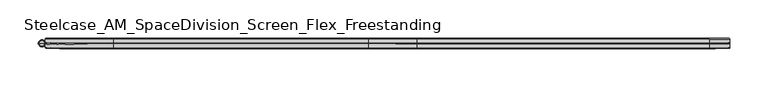
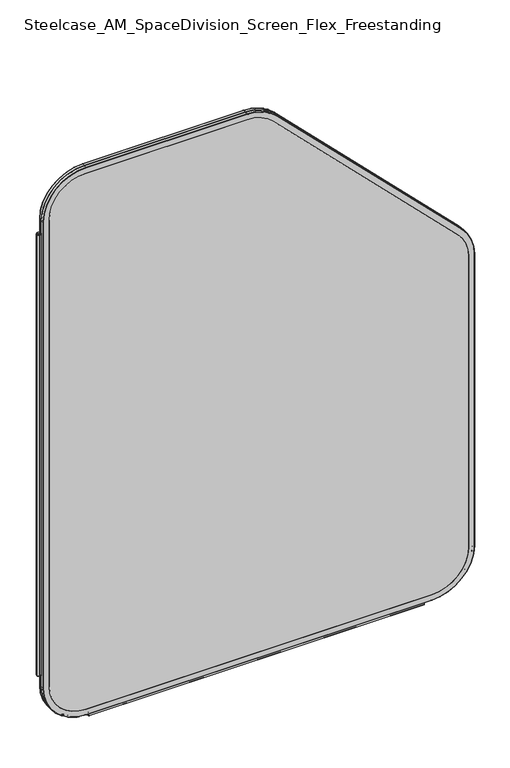
"""IFC4 building model written with IfcOpenShell, lengths in millimetres: furniture geometry, Steelcase_AM_SpaceDivision_Screen_Flex_Freestanding."""

from ifc_helpers import new_model, si_unit, point, frame, frame_2d, origin, place, context, project, spatial, polyline, circle_curve, ellipse_curve, trimmed, segment, composite_curve, outline, extrude, source, transform, mapped, element, save
from ifc_brep_helpers import plane_surface, cylinder_surface, revolved_surface, advanced_brep


def steelcase_am_spacedivision_screen_flex_freestanding_d6f9e295(model_context):
    return source(origin(), model_context, "Body", "SolidModel", [
        advanced_brep(
        [(98.0653521, 5.715, 4.9996464), (9.1653521, 5.715, 93.8996464), (9.9273521, 6.477, 93.8996464), (98.0653521, 6.477, 5.7616464), (98.0653521, 0.8129491, 4.9996464), (9.1653521, 0.8129491, 93.8996464), (98.0653521, -5.715, 4.9996464), (9.1653521, -5.715, 93.8996464), (9.1653521, -0.8129491, 93.8996464), (98.0653521, -0.8129491, 4.9996464), (98.0653521, -6.477, 5.7616464), (9.9273521, -6.477, 93.8996464), (98.0653521, 6.477, 17.6996464), (21.8653521, 6.477, 93.8996464), (21.8653521, -6.477, 93.8996464), (98.0653521, -6.477, 17.6996464), (811.1, 6.477, 5.7616464), (811.1, 5.715, 4.9996464), (811.1, 0.8129491, 4.9996464), (811.1, -0.8129491, 4.9996464), (811.1, -5.715, 4.9996464), (811.1, -6.477, 5.7616464), (811.1, -6.477, 17.6996464), (811.1, 6.477, 17.6996464), (900.0, 5.715, 93.8996464), (899.238, 6.477, 93.8996464), (900.0, 0.8129491, 93.8996464), (900.0, -5.715, 93.8996464), (900.0, -0.8129491, 93.8996464), (899.238, -6.477, 93.8996464), (887.3, 6.477, 93.8996464), (887.3, -6.477, 93.8996464), (899.238, 6.477, 730.3749822), (900.0, 5.715, 730.3749822), (900.0, 0.8129491, 730.3749822), (900.0, -0.8129491, 730.3749822), (900.0, -5.715, 730.3749822), (899.238, -6.477, 730.3749822), (887.3, -6.477, 730.3749822), (887.3, 6.477, 730.3749822), (873.9617928, 5.715, 793.2367751), (873.4229775, 6.477, 792.6979597), (873.9617928, 0.8129491, 793.2367751), (873.9617928, -5.715, 793.2367751), (873.9617928, -0.8129491, 793.2367751), (873.4229775, -6.477, 792.6979597), (864.9815367, 6.477, 784.2565189), (864.9815367, -6.477, 784.2565189), (492.6979597, 6.477, 1173.4229775), (493.2367751, 5.715, 1173.9617928), (493.2367751, 0.8129491, 1173.9617928), (493.2367751, -0.8129491, 1173.9617928), (493.2367751, -5.715, 1173.9617928), (492.6979597, -6.477, 1173.4229775), (484.2565189, -6.477, 1164.9815367), (484.2565189, 6.477, 1164.9815367), (430.3749822, 5.715, 1200.0), (430.3749822, 6.477, 1199.238), (430.3749822, 0.8129491, 1200.0), (430.3749822, -5.715, 1200.0), (430.3749822, -0.8129491, 1200.0), (430.3749822, -6.477, 1199.238), (430.3749822, 6.477, 1187.3), (430.3749822, -6.477, 1187.3), (98.0653521, 6.477, 1199.238), (98.0653521, 5.715, 1200.0), (98.0653521, 0.8129491, 1200.0), (98.0653521, -0.8129491, 1200.0), (98.0653521, -5.715, 1200.0), (98.0653521, -6.477, 1199.238), (98.0653521, -6.477, 1187.3), (98.0653521, 6.477, 1187.3), (9.1653521, 5.715, 1111.1), (9.9273521, 6.477, 1111.1), (9.1653521, 0.8129491, 1111.1), (9.1653521, -5.715, 1111.1), (9.1653521, -0.8129491, 1111.1), (9.9273521, -6.477, 1111.1), (21.8653521, 6.477, 1111.1), (21.8653521, -6.477, 1111.1), (98.0653521, 0.0, 5.5902885), (9.7559942, 0.0, 93.8996464), (811.1, 0.0, 5.5902885), (899.4093579, 0.0, 93.8996464), (899.4093579, 0.0, 730.3749822), (873.5441458, 0.0, 792.819128), (492.819128, 0.0, 1173.5441458), (430.3749822, 0.0, 1199.4093579), (98.0653521, 0.0, 1199.4093579), (9.7559942, 0.0, 1111.1)],
        [
            (0, 1, circle_curve(frame((98.0653521, 5.715, 93.8996464), z_axis=(0.0, 1.0, 0.0), x_axis=(-1.0, 0.0, 0.0)), 88.9)),
            (1, 2, circle_curve(frame((9.9273521, 5.715, 93.8996464), z_axis=(0.0, 0.0, -1.0), x_axis=(0.0, -1.0, 0.0)), 0.762)),
            (2, 3, circle_curve(frame((98.0653521, 6.477, 93.8996464), z_axis=(0.0, -1.0, 0.0), x_axis=(-1.0, 0.0, 0.0)), 88.138)),
            (3, 0, circle_curve(frame((98.0653521, 5.715, 5.7616464), z_axis=(-1.0, 0.0, 0.0), x_axis=(0.0, -1.0, 0.0)), 0.762)),
            (4, 5, circle_curve(frame((98.0653521, 0.8129491, 93.8996464), z_axis=(0.0, 1.0, 0.0), x_axis=(-1.0, 0.0, 0.0)), 88.9)),
            (5, 1),
            (0, 4),
            (6, 7, circle_curve(frame((98.0653521, -5.715, 93.8996464), z_axis=(0.0, 1.0, 0.0), x_axis=(-1.0, 0.0, 0.0)), 88.9)),
            (7, 8),
            (8, 9, circle_curve(frame((98.0653521, -0.8129491, 93.8996464), z_axis=(0.0, -1.0, 0.0), x_axis=(-1.0, 0.0, 0.0)), 88.9)),
            (9, 6),
            (10, 11, circle_curve(frame((98.0653521, -6.477, 93.8996464), z_axis=(0.0, 1.0, 0.0), x_axis=(-1.0, 0.0, 0.0)), 88.138)),
            (11, 7, circle_curve(frame((9.9273521, -5.715, 93.8996464), z_axis=(0.0, 0.0, -1.0), x_axis=(0.0, -1.0, 0.0)), 0.762)),
            (6, 10, circle_curve(frame((98.0653521, -5.715, 5.7616464), z_axis=(-1.0, 0.0, 0.0), x_axis=(0.0, -1.0, 0.0)), 0.762)),
            (12, 13, circle_curve(frame((98.0653521, 6.477, 93.8996464), z_axis=(0.0, 1.0, 0.0), x_axis=(-1.0, 0.0, 0.0)), 76.2)),
            (13, 14),
            (14, 15, circle_curve(frame((98.0653521, -6.477, 93.8996464), z_axis=(0.0, -1.0, 0.0), x_axis=(-1.0, 0.0, 0.0)), 76.2)),
            (15, 12),
            (3, 16),
            (16, 17, circle_curve(frame((811.1, 5.715, 5.7616464), z_axis=(-1.0, 0.0, 0.0), x_axis=(0.0, -1.0, 0.0)), 0.762)),
            (17, 0),
            (17, 18),
            (18, 4),
            (9, 19),
            (19, 20),
            (20, 6),
            (20, 21, circle_curve(frame((811.1, -5.715, 5.7616464), z_axis=(-1.0, 0.0, 0.0), x_axis=(0.0, -1.0, 0.0)), 0.762)),
            (21, 10),
            (15, 22),
            (22, 23),
            (23, 12),
            (24, 17, circle_curve(frame((811.1, 5.715, 93.8996464), z_axis=(0.0, 1.0, 0.0), x_axis=(0.0, 0.0, -1.0)), 88.9)),
            (16, 25, circle_curve(frame((811.1, 6.477, 93.8996464), z_axis=(0.0, -1.0, 0.0), x_axis=(0.0, 0.0, -1.0)), 88.138)),
            (25, 24, circle_curve(frame((899.238, 5.715, 93.8996464), z_axis=(0.0, 0.0, -1.0), x_axis=(0.0, -1.0, 0.0)), 0.762)),
            (26, 18, circle_curve(frame((811.1, 0.8129491, 93.8996464), z_axis=(0.0, 1.0, 0.0), x_axis=(0.0, 0.0, -1.0)), 88.9)),
            (24, 26),
            (27, 20, circle_curve(frame((811.1, -5.715, 93.8996464), z_axis=(0.0, 1.0, 0.0), x_axis=(0.0, 0.0, -1.0)), 88.9)),
            (19, 28, circle_curve(frame((811.1, -0.8129491, 93.8996464), z_axis=(0.0, -1.0, 0.0), x_axis=(0.0, 0.0, -1.0)), 88.9)),
            (28, 27),
            (29, 21, circle_curve(frame((811.1, -6.477, 93.8996464), z_axis=(0.0, 1.0, 0.0), x_axis=(0.0, 0.0, -1.0)), 88.138)),
            (27, 29, circle_curve(frame((899.238, -5.715, 93.8996464), z_axis=(0.0, 0.0, -1.0), x_axis=(0.0, -1.0, 0.0)), 0.762)),
            (30, 23, circle_curve(frame((811.1, 6.477, 93.8996464), z_axis=(0.0, 1.0, 0.0), x_axis=(0.0, 0.0, -1.0)), 76.2)),
            (22, 31, circle_curve(frame((811.1, -6.477, 93.8996464), z_axis=(0.0, -1.0, 0.0), x_axis=(0.0, 0.0, -1.0)), 76.2)),
            (31, 30),
            (25, 32),
            (32, 33, circle_curve(frame((899.238, 5.715, 730.3749822), z_axis=(0.0, 0.0, -1.0), x_axis=(0.0, -1.0, 0.0)), 0.762)),
            (33, 24),
            (33, 34),
            (34, 26),
            (28, 35),
            (35, 36),
            (36, 27),
            (36, 37, circle_curve(frame((899.238, -5.715, 730.3749822), z_axis=(0.0, 0.0, -1.0), x_axis=(0.0, -1.0, 0.0)), 0.762)),
            (37, 29),
            (31, 38),
            (38, 39),
            (39, 30),
            (40, 33, circle_curve(frame((811.1, 5.715, 730.3749822), z_axis=(0.0, 1.0, 0.0), x_axis=(1.0, 0.0, 0.0)), 88.9)),
            (32, 41, circle_curve(frame((811.1, 6.477, 730.3749822), z_axis=(0.0, -1.0, 0.0), x_axis=(1.0, 0.0, 0.0)), 88.138)),
            (41, 40, circle_curve(frame((873.4229775, 5.715, 792.6979597), z_axis=(0.7071067811866388, 0.0, -0.7071067811864562), x_axis=(0.0, -1.0, 0.0)), 0.762)),
            (42, 34, circle_curve(frame((811.1, 0.8129491, 730.3749822), z_axis=(0.0, 1.0, 0.0), x_axis=(1.0, 0.0, 0.0)), 88.9)),
            (40, 42),
            (43, 36, circle_curve(frame((811.1, -5.715, 730.3749822), z_axis=(0.0, 1.0, 0.0), x_axis=(1.0, 0.0, 0.0)), 88.9)),
            (35, 44, circle_curve(frame((811.1, -0.8129491, 730.3749822), z_axis=(0.0, -1.0, 0.0), x_axis=(1.0, 0.0, 0.0)), 88.9)),
            (44, 43),
            (45, 37, circle_curve(frame((811.1, -6.477, 730.3749822), z_axis=(0.0, 1.0, 0.0), x_axis=(1.0, 0.0, 0.0)), 88.138)),
            (43, 45, circle_curve(frame((873.4229775, -5.715, 792.6979597), z_axis=(0.7071067811866388, 0.0, -0.7071067811864562), x_axis=(0.0, -1.0, 0.0)), 0.762)),
            (46, 39, circle_curve(frame((811.1, 6.477, 730.3749822), z_axis=(0.0, 1.0, 0.0), x_axis=(1.0, 0.0, 0.0)), 76.2)),
            (38, 47, circle_curve(frame((811.1, -6.477, 730.3749822), z_axis=(0.0, -1.0, 0.0), x_axis=(1.0, 0.0, 0.0)), 76.2)),
            (47, 46),
            (41, 48),
            (48, 49, circle_curve(frame((492.6979597, 5.715, 1173.4229775), z_axis=(0.7071067811866404, 0.0, -0.7071067811864546), x_axis=(0.0, -1.0, 0.0)), 0.762)),
            (49, 40),
            (49, 50),
            (50, 42),
            (44, 51),
            (51, 52),
            (52, 43),
            (52, 53, circle_curve(frame((492.6979597, -5.715, 1173.4229775), z_axis=(0.7071067811866404, 0.0, -0.7071067811864546), x_axis=(0.0, -1.0, 0.0)), 0.762)),
            (53, 45),
            (47, 54),
            (54, 55),
            (55, 46),
            (56, 49, circle_curve(frame((430.3749822, 5.715, 1111.1), z_axis=(0.0, 1.0, 0.0), x_axis=(0.7071067811865528, 0.0, 0.7071067811865424)), 88.9)),
            (48, 57, circle_curve(frame((430.3749822, 6.477, 1111.1), z_axis=(0.0, -1.0, 0.0), x_axis=(0.7071067811865528, 0.0, 0.7071067811865424)), 88.138)),
            (57, 56, circle_curve(frame((430.3749822, 5.715, 1199.238), z_axis=(1.0, 0.0, 0.0), x_axis=(0.0, -1.0, 0.0)), 0.762)),
            (58, 50, circle_curve(frame((430.3749822, 0.8129491, 1111.1), z_axis=(0.0, 1.0, 0.0), x_axis=(0.7071067811865528, 0.0, 0.7071067811865424)), 88.9)),
            (56, 58),
            (59, 52, circle_curve(frame((430.3749822, -5.715, 1111.1), z_axis=(0.0, 1.0, 0.0), x_axis=(0.7071067811865528, 0.0, 0.7071067811865424)), 88.9)),
            (51, 60, circle_curve(frame((430.3749822, -0.8129491, 1111.1), z_axis=(0.0, -1.0, 0.0), x_axis=(0.7071067811865528, 0.0, 0.7071067811865424)), 88.9)),
            (60, 59),
            (61, 53, circle_curve(frame((430.3749822, -6.477, 1111.1), z_axis=(0.0, 1.0, 0.0), x_axis=(0.7071067811865528, 0.0, 0.7071067811865424)), 88.138)),
            (59, 61, circle_curve(frame((430.3749822, -5.715, 1199.238), z_axis=(1.0, 0.0, 0.0), x_axis=(0.0, -1.0, 0.0)), 0.762)),
            (62, 55, circle_curve(frame((430.3749822, 6.477, 1111.1), z_axis=(0.0, 1.0, 0.0), x_axis=(0.7071067811865528, 0.0, 0.7071067811865424)), 76.2)),
            (54, 63, circle_curve(frame((430.3749822, -6.477, 1111.1), z_axis=(0.0, -1.0, 0.0), x_axis=(0.7071067811865528, 0.0, 0.7071067811865424)), 76.2)),
            (63, 62),
            (57, 64),
            (64, 65, circle_curve(frame((98.0653521, 5.715, 1199.238), z_axis=(1.0, 0.0, 0.0), x_axis=(0.0, -1.0, 0.0)), 0.762)),
            (65, 56),
            (65, 66),
            (66, 58),
            (60, 67),
            (67, 68),
            (68, 59),
            (68, 69, circle_curve(frame((98.0653521, -5.715, 1199.238), z_axis=(1.0, 0.0, 0.0), x_axis=(0.0, -1.0, 0.0)), 0.762)),
            (69, 61),
            (63, 70),
            (70, 71),
            (71, 62),
            (72, 65, circle_curve(frame((98.0653521, 5.715, 1111.1), z_axis=(0.0, 1.0, 0.0), x_axis=(0.0, 0.0, 1.0)), 88.9)),
            (64, 73, circle_curve(frame((98.0653521, 6.477, 1111.1), z_axis=(0.0, -1.0, 0.0), x_axis=(0.0, 0.0, 1.0)), 88.138)),
            (73, 72, circle_curve(frame((9.9273521, 5.715, 1111.1), z_axis=(0.0, 0.0, 1.0), x_axis=(0.0, -1.0, 0.0)), 0.762)),
            (74, 66, circle_curve(frame((98.0653521, 0.8129491, 1111.1), z_axis=(0.0, 1.0, 0.0), x_axis=(0.0, 0.0, 1.0)), 88.9)),
            (72, 74),
            (75, 68, circle_curve(frame((98.0653521, -5.715, 1111.1), z_axis=(0.0, 1.0, 0.0), x_axis=(0.0, 0.0, 1.0)), 88.9)),
            (67, 76, circle_curve(frame((98.0653521, -0.8129491, 1111.1), z_axis=(0.0, -1.0, 0.0), x_axis=(0.0, 0.0, 1.0)), 88.9)),
            (76, 75),
            (77, 69, circle_curve(frame((98.0653521, -6.477, 1111.1), z_axis=(0.0, 1.0, 0.0), x_axis=(0.0, 0.0, 1.0)), 88.138)),
            (75, 77, circle_curve(frame((9.9273521, -5.715, 1111.1), z_axis=(0.0, 0.0, 1.0), x_axis=(0.0, -1.0, 0.0)), 0.762)),
            (78, 71, circle_curve(frame((98.0653521, 6.477, 1111.1), z_axis=(0.0, 1.0, 0.0), x_axis=(0.0, 0.0, 1.0)), 76.2)),
            (70, 79, circle_curve(frame((98.0653521, -6.477, 1111.1), z_axis=(0.0, -1.0, 0.0), x_axis=(0.0, 0.0, 1.0)), 76.2)),
            (79, 78),
            (2, 73),
            (78, 13),
            (1, 72),
            (5, 74),
            (76, 8),
            (7, 75),
            (11, 77),
            (14, 79),
            (80, 81, circle_curve(frame((98.0653521, 0.0, 93.8996464), z_axis=(0.0, 1.0, 0.0), x_axis=(-1.0, 0.0, 0.0)), 88.3093579)),
            (81, 5, circle_curve(frame((10.0201374, 0.8129491, 93.8996464), z_axis=(0.0, 0.0, -1.0), x_axis=(0.0, -1.0, 0.0)), 0.8547853)),
            (4, 80, circle_curve(frame((98.0653521, 0.8129491, 5.8544317), z_axis=(-1.0, 0.0, 0.0), x_axis=(0.0, -1.0, 0.0)), 0.8547853)),
            (8, 81, circle_curve(frame((10.0201374, -0.8129491, 93.8996464), z_axis=(0.0, 0.0, -1.0), x_axis=(0.0, -1.0, 0.0)), 0.8547853)),
            (80, 9, circle_curve(frame((98.0653521, -0.8129491, 5.8544317), z_axis=(-1.0, 0.0, 0.0), x_axis=(0.0, -1.0, 0.0)), 0.8547853)),
            (18, 82, circle_curve(frame((811.1, 0.8129491, 5.8544317), z_axis=(-1.0, 0.0, 0.0), x_axis=(0.0, -1.0, 0.0)), 0.8547853)),
            (82, 80),
            (82, 19, circle_curve(frame((811.1, -0.8129491, 5.8544317), z_axis=(-1.0, 0.0, 0.0), x_axis=(0.0, -1.0, 0.0)), 0.8547853)),
            (83, 82, circle_curve(frame((811.1, 0.0, 93.8996464), z_axis=(0.0, 1.0, 0.0), x_axis=(0.0, 0.0, -1.0)), 88.3093579)),
            (26, 83, circle_curve(frame((899.1452147, 0.8129491, 93.8996464), z_axis=(0.0, 0.0, -1.0), x_axis=(0.0, -1.0, 0.0)), 0.8547853)),
            (83, 28, circle_curve(frame((899.1452147, -0.8129491, 93.8996464), z_axis=(0.0, 0.0, -1.0), x_axis=(0.0, -1.0, 0.0)), 0.8547853)),
            (34, 84, circle_curve(frame((899.1452147, 0.8129491, 730.3749822), z_axis=(0.0, 0.0, -1.0), x_axis=(0.0, -1.0, 0.0)), 0.8547853)),
            (84, 83),
            (84, 35, circle_curve(frame((899.1452147, -0.8129491, 730.3749822), z_axis=(0.0, 0.0, -1.0), x_axis=(0.0, -1.0, 0.0)), 0.8547853)),
            (85, 84, circle_curve(frame((811.1, 0.0, 730.3749822), z_axis=(0.0, 1.0, 0.0), x_axis=(1.0, 0.0, 0.0)), 88.3093579)),
            (42, 85, circle_curve(frame((873.3573684, 0.8129491, 792.6323506), z_axis=(0.7071067811866388, 0.0, -0.7071067811864562), x_axis=(0.0, -1.0, 0.0)), 0.8547853)),
            (85, 44, circle_curve(frame((873.3573684, -0.8129491, 792.6323506), z_axis=(0.7071067811866387, 0.0, -0.7071067811864563), x_axis=(0.0, -1.0, 0.0)), 0.8547853)),
            (50, 86, circle_curve(frame((492.6323506, 0.8129491, 1173.3573684), z_axis=(0.7071067811866404, 0.0, -0.7071067811864546), x_axis=(0.0, -1.0, 0.0)), 0.8547853)),
            (86, 85),
            (86, 51, circle_curve(frame((492.6323506, -0.8129491, 1173.3573684), z_axis=(0.7071067811866404, 0.0, -0.7071067811864546), x_axis=(0.0, -1.0, 0.0)), 0.8547853)),
            (87, 86, circle_curve(frame((430.3749822, 0.0, 1111.1), z_axis=(0.0, 1.0, 0.0), x_axis=(0.7071067811865528, 0.0, 0.7071067811865424)), 88.3093579)),
            (58, 87, circle_curve(frame((430.3749822, 0.8129491, 1199.1452147), z_axis=(1.0, 0.0, 0.0), x_axis=(0.0, -1.0, 0.0)), 0.8547853)),
            (87, 60, circle_curve(frame((430.3749822, -0.8129491, 1199.1452147), z_axis=(1.0, 0.0, 0.0), x_axis=(0.0, -1.0, 0.0)), 0.8547853)),
            (66, 88, circle_curve(frame((98.0653521, 0.8129491, 1199.1452147), z_axis=(1.0, 0.0, 0.0), x_axis=(0.0, -1.0, 0.0)), 0.8547853)),
            (88, 87),
            (88, 67, circle_curve(frame((98.0653521, -0.8129491, 1199.1452147), z_axis=(1.0, 0.0, 0.0), x_axis=(0.0, -1.0, 0.0)), 0.8547853)),
            (89, 88, circle_curve(frame((98.0653521, 0.0, 1111.1), z_axis=(0.0, 1.0, 0.0), x_axis=(0.0, 0.0, 1.0)), 88.3093579)),
            (74, 89, circle_curve(frame((10.0201374, 0.8129491, 1111.1), z_axis=(0.0, 0.0, 1.0), x_axis=(0.0, -1.0, 0.0)), 0.8547853)),
            (89, 76, circle_curve(frame((10.0201374, -0.8129491, 1111.1), z_axis=(0.0, 0.0, 1.0), x_axis=(0.0, -1.0, 0.0)), 0.8547853)),
            (81, 89),
        ],
        [
            revolved_surface(trimmed(ellipse_curve(frame((9.9273521, 5.715, 93.8996464), z_axis=(0.0, 0.0, 1.0), x_axis=(0.0, -1.0, 0.0)), 0.762, 0.762), [point((9.9273521, 6.477, 93.8996464))], [point((9.1653521, 5.715, 93.8996464))], True, "CARTESIAN"), (98.0653521, 0.0, 93.8996464), (0.0, -1.0, 0.0)),
            cylinder_surface(frame((98.0653521, 0.0, 93.8996464), z_axis=(0.0, -1.0, 0.0), x_axis=(-1.0, 0.0, 0.0)), 88.9),
            revolved_surface(trimmed(ellipse_curve(frame((9.9273521, -5.715, 93.8996464), z_axis=(0.0, 0.0, 1.0), x_axis=(0.0, -1.0, 0.0)), 0.762, 0.762), [point((9.1653521, -5.715, 93.8996464))], [point((9.9273521, -6.477, 93.8996464))], True, "CARTESIAN"), (98.0653521, 0.0, 93.8996464), (0.0, -1.0, 0.0)),
            revolved_surface(polyline([(21.865352099999996, -6.477, 93.8996464), (21.865352099999996, 6.477, 93.8996464)]), (98.0653521, 0.0, 93.8996464), (0.0, -1.0, 0.0)),
            cylinder_surface(frame((98.0653521, 5.715, 5.7616464), z_axis=(-1.0, 0.0, 0.0), x_axis=(0.0, -1.0, 0.0)), 0.762),
            plane_surface(frame((98.0653521, 5.715, 4.9996464), z_axis=(0.0, 0.0, -1.0), x_axis=(1.0, 0.0, 0.0))),
            plane_surface(frame((98.0653521, -0.8129491, 4.9996464), z_axis=(0.0, 0.0, -1.0), x_axis=(1.0, 0.0, 0.0))),
            cylinder_surface(frame((98.0653521, -5.715, 5.7616464), z_axis=(-1.0, 0.0, 0.0), x_axis=(0.0, -1.0, 0.0)), 0.762),
            plane_surface(frame((98.0653521, -6.477, 17.6996464), z_axis=(0.0, 0.0, 1.0), x_axis=(1.0, 0.0, 0.0))),
            revolved_surface(trimmed(ellipse_curve(frame((811.1, 5.715, 5.7616464), z_axis=(-1.0, 0.0, 0.0), x_axis=(0.0, -1.0, 0.0)), 0.762, 0.762), [point((811.1, 6.477, 5.7616464))], [point((811.1, 5.715, 4.9996464))], True, "CARTESIAN"), (811.1, 0.0, 93.8996464), (0.0, -1.0, 0.0)),
            cylinder_surface(frame((811.1, 0.0, 93.8996464), z_axis=(0.0, -1.0, 0.0), x_axis=(0.0, 0.0, -1.0)), 88.9),
            revolved_surface(trimmed(ellipse_curve(frame((811.1, -5.715, 5.7616464), z_axis=(-1.0, 0.0, 0.0), x_axis=(0.0, -1.0, 0.0)), 0.762, 0.762), [point((811.1, -5.715, 4.9996464))], [point((811.1, -6.477, 5.7616464))], True, "CARTESIAN"), (811.1, 0.0, 93.8996464), (0.0, -1.0, 0.0)),
            revolved_surface(polyline([(811.1, -6.477, 17.699646399999992), (811.1, 6.477, 17.699646399999992)]), (811.1, 0.0, 93.8996464), (0.0, -1.0, 0.0)),
            cylinder_surface(frame((899.238, 5.715, 93.8996464), z_axis=(0.0, 0.0, -1.0), x_axis=(0.0, -1.0, 0.0)), 0.762),
            plane_surface(frame((900.0, 5.715, 93.8996464), z_axis=(1.0, 0.0, 0.0), x_axis=(0.0, 0.0, 1.0))),
            plane_surface(frame((900.0, -0.8129491, 93.8996464), z_axis=(1.0, 0.0, 0.0), x_axis=(0.0, 0.0, 1.0))),
            cylinder_surface(frame((899.238, -5.715, 93.8996464), z_axis=(0.0, 0.0, -1.0), x_axis=(0.0, -1.0, 0.0)), 0.762),
            plane_surface(frame((887.3, -6.477, 93.8996464), z_axis=(-1.0, 0.0, 0.0), x_axis=(0.0, 0.0, 1.0))),
            revolved_surface(trimmed(ellipse_curve(frame((899.238, 5.715, 730.3749822), z_axis=(0.0, 0.0, -1.0), x_axis=(0.0, -1.0, 0.0)), 0.762, 0.762), [point((899.238, 6.477, 730.3749822))], [point((900.0, 5.715, 730.3749822))], True, "CARTESIAN"), (811.1, 0.0, 730.3749822), (0.0, -1.0, 0.0)),
            cylinder_surface(frame((811.1, 0.0, 730.3749822), z_axis=(0.0, -1.0, 0.0), x_axis=(1.0, 0.0, 0.0)), 88.9),
            revolved_surface(trimmed(ellipse_curve(frame((899.238, -5.715, 730.3749822), z_axis=(0.0, 0.0, -1.0), x_axis=(0.0, -1.0, 0.0)), 0.762, 0.762), [point((900.0, -5.715, 730.3749822))], [point((899.238, -6.477, 730.3749822))], True, "CARTESIAN"), (811.1, 0.0, 730.3749822), (0.0, -1.0, 0.0)),
            revolved_surface(polyline([(887.3000000000001, -6.477, 730.3749822), (887.3000000000001, 6.477, 730.3749822)]), (811.1, 0.0, 730.3749822), (0.0, -1.0, 0.0)),
            cylinder_surface(frame((873.4229775, 5.715, 792.6979597), z_axis=(0.7071067811866404, 0.0, -0.7071067811864546), x_axis=(0.0, -1.0, 0.0)), 0.762),
            plane_surface(frame((873.9617928, 5.715, 793.2367751), z_axis=(0.7071067811864545, 0.0, 0.7071067811866405), x_axis=(-0.7071067811866405, 0.0, 0.7071067811864545))),
            plane_surface(frame((873.9617928, -0.8129491, 793.2367751), z_axis=(0.7071067811864545, 0.0, 0.7071067811866405), x_axis=(-0.7071067811866405, 0.0, 0.7071067811864545))),
            cylinder_surface(frame((873.4229775, -5.715, 792.6979597), z_axis=(0.7071067811866404, 0.0, -0.7071067811864546), x_axis=(0.0, -1.0, 0.0)), 0.762),
            plane_surface(frame((864.9815367, -6.477, 784.2565189), z_axis=(-0.7071067811864546, 0.0, -0.7071067811866404), x_axis=(-0.7071067811866404, 0.0, 0.7071067811864546))),
            revolved_surface(trimmed(ellipse_curve(frame((492.6979597, 5.715, 1173.4229775), z_axis=(0.7071067811865424, 0.0, -0.7071067811865528), x_axis=(0.0, -1.0, 0.0)), 0.762, 0.762), [point((492.6979597, 6.477, 1173.4229775))], [point((493.2367751, 5.715, 1173.9617928))], True, "CARTESIAN"), (430.3749822, 0.0, 1111.1), (0.0, -1.0, 0.0)),
            cylinder_surface(frame((430.3749822, 0.0, 1111.1), z_axis=(0.0, -1.0, 0.0), x_axis=(0.7071067811865528, 0.0, 0.7071067811865424)), 88.9),
            revolved_surface(trimmed(ellipse_curve(frame((492.6979597, -5.715, 1173.4229775), z_axis=(0.7071067811865424, 0.0, -0.7071067811865528), x_axis=(0.0, -1.0, 0.0)), 0.762, 0.762), [point((493.2367751, -5.715, 1173.9617928))], [point((492.6979597, -6.477, 1173.4229775))], True, "CARTESIAN"), (430.3749822, 0.0, 1111.1), (0.0, -1.0, 0.0)),
            revolved_surface(polyline([(484.2565189264153, -6.477, 1164.9815367264143), (484.2565189264153, 6.477, 1164.9815367264143)]), (430.3749822, 0.0, 1111.1), (0.0, -1.0, 0.0)),
            cylinder_surface(frame((430.3749822, 5.715, 1199.238), z_axis=(1.0, 0.0, 0.0), x_axis=(0.0, -1.0, 0.0)), 0.762),
            plane_surface(frame((430.3749822, 5.715, 1200.0), z_axis=(0.0, 0.0, 1.0), x_axis=(-1.0, 0.0, 0.0))),
            plane_surface(frame((430.3749822, -0.8129491, 1200.0), z_axis=(0.0, 0.0, 1.0), x_axis=(-1.0, 0.0, 0.0))),
            cylinder_surface(frame((430.3749822, -5.715, 1199.238), z_axis=(1.0, 0.0, 0.0), x_axis=(0.0, -1.0, 0.0)), 0.762),
            plane_surface(frame((430.3749822, -6.477, 1187.3), z_axis=(0.0, 0.0, -1.0), x_axis=(-1.0, 0.0, 0.0))),
            revolved_surface(trimmed(ellipse_curve(frame((98.0653521, 5.715, 1199.238), z_axis=(1.0, 0.0, 0.0), x_axis=(0.0, -1.0, 0.0)), 0.762, 0.762), [point((98.0653521, 6.477, 1199.238))], [point((98.0653521, 5.715, 1200.0))], True, "CARTESIAN"), (98.0653521, 0.0, 1111.1), (0.0, -1.0, 0.0)),
            cylinder_surface(frame((98.0653521, 0.0, 1111.1), z_axis=(0.0, -1.0, 0.0), x_axis=(0.0, 0.0, 1.0)), 88.9),
            revolved_surface(trimmed(ellipse_curve(frame((98.0653521, -5.715, 1199.238), z_axis=(1.0, 0.0, 0.0), x_axis=(0.0, -1.0, 0.0)), 0.762, 0.762), [point((98.0653521, -5.715, 1200.0))], [point((98.0653521, -6.477, 1199.238))], True, "CARTESIAN"), (98.0653521, 0.0, 1111.1), (0.0, -1.0, 0.0)),
            revolved_surface(polyline([(98.0653521, -6.477, 1187.3), (98.0653521, 6.477, 1187.3)]), (98.0653521, 0.0, 1111.1), (0.0, -1.0, 0.0)),
            plane_surface(frame((21.8653521, 6.477, 1111.1), z_axis=(0.0, 1.0, 0.0), x_axis=(0.0, 0.0, -1.0))),
            cylinder_surface(frame((9.9273521, 5.715, 1111.1), z_axis=(0.0, 0.0, 1.0), x_axis=(0.0, -1.0, 0.0)), 0.762),
            plane_surface(frame((9.1653521, 5.715, 1111.1), z_axis=(-1.0, 0.0, 0.0), x_axis=(0.0, 0.0, -1.0))),
            plane_surface(frame((9.1653521, -0.8129491, 1111.1), z_axis=(-1.0, 0.0, 0.0), x_axis=(0.0, 0.0, -1.0))),
            cylinder_surface(frame((9.9273521, -5.715, 1111.1), z_axis=(0.0, 0.0, 1.0), x_axis=(0.0, -1.0, 0.0)), 0.762),
            plane_surface(frame((9.9273521, -6.477, 1111.1), z_axis=(0.0, -1.0, 0.0), x_axis=(0.0, 0.0, -1.0))),
            plane_surface(frame((21.8653521, -6.477, 1111.1), z_axis=(1.0, 0.0, 0.0), x_axis=(0.0, 0.0, -1.0))),
            revolved_surface(trimmed(ellipse_curve(frame((10.0201374, 0.8129491, 93.8996464), z_axis=(0.0, 0.0, 1.0), x_axis=(0.0, -1.0, 0.0)), 0.8547853, 0.8547853), [point((9.1653521, 0.8129491, 93.8996464))], [point((9.7559942, 0.0, 93.8996464))], True, "CARTESIAN"), (98.0653521, 0.0, 93.8996464), (0.0, -1.0, 0.0)),
            revolved_surface(trimmed(ellipse_curve(frame((10.0201374, -0.8129491, 93.8996464), z_axis=(0.0, 0.0, 1.0), x_axis=(0.0, -1.0, 0.0)), 0.8547853, 0.8547853), [point((9.7559942, 0.0, 93.8996464))], [point((9.1653521, -0.8129491, 93.8996464))], True, "CARTESIAN"), (98.0653521, 0.0, 93.8996464), (0.0, -1.0, 0.0)),
            cylinder_surface(frame((98.0653521, 0.8129491, 5.8544317), z_axis=(-1.0, 0.0, 0.0), x_axis=(0.0, -1.0, 0.0)), 0.8547853),
            cylinder_surface(frame((98.0653521, -0.8129491, 5.8544317), z_axis=(-1.0, 0.0, 0.0), x_axis=(0.0, -1.0, 0.0)), 0.8547853),
            revolved_surface(trimmed(ellipse_curve(frame((811.1, 0.8129491, 5.8544317), z_axis=(-1.0, 0.0, 0.0), x_axis=(0.0, -1.0, 0.0)), 0.8547853, 0.8547853), [point((811.1, 0.8129491, 4.9996464))], [point((811.1, 0.0, 5.5902885))], True, "CARTESIAN"), (811.1, 0.0, 93.8996464), (0.0, -1.0, 0.0)),
            revolved_surface(trimmed(ellipse_curve(frame((811.1, -0.8129491, 5.8544317), z_axis=(-1.0, 0.0, 0.0), x_axis=(0.0, -1.0, 0.0)), 0.8547853, 0.8547853), [point((811.1, 0.0, 5.5902885))], [point((811.1, -0.8129491, 4.9996464))], True, "CARTESIAN"), (811.1, 0.0, 93.8996464), (0.0, -1.0, 0.0)),
            cylinder_surface(frame((899.1452147, 0.8129491, 93.8996464), z_axis=(0.0, 0.0, -1.0), x_axis=(0.0, -1.0, 0.0)), 0.8547853),
            cylinder_surface(frame((899.1452147, -0.8129491, 93.8996464), z_axis=(0.0, 0.0, -1.0), x_axis=(0.0, -1.0, 0.0)), 0.8547853),
            revolved_surface(trimmed(ellipse_curve(frame((899.1452147, 0.8129491, 730.3749822), z_axis=(0.0, 0.0, -1.0), x_axis=(0.0, -1.0, 0.0)), 0.8547853, 0.8547853), [point((900.0, 0.8129491, 730.3749822))], [point((899.4093579, 0.0, 730.3749822))], True, "CARTESIAN"), (811.1, 0.0, 730.3749822), (0.0, -1.0, 0.0)),
            revolved_surface(trimmed(ellipse_curve(frame((899.1452147, -0.8129491, 730.3749822), z_axis=(0.0, 0.0, -1.0), x_axis=(0.0, -1.0, 0.0)), 0.8547853, 0.8547853), [point((899.4093579, 0.0, 730.3749822))], [point((900.0, -0.8129491, 730.3749822))], True, "CARTESIAN"), (811.1, 0.0, 730.3749822), (0.0, -1.0, 0.0)),
            cylinder_surface(frame((873.3573684, 0.8129491, 792.6323506), z_axis=(0.7071067811866404, 0.0, -0.7071067811864546), x_axis=(0.0, -1.0, 0.0)), 0.8547853),
            cylinder_surface(frame((873.3573684, -0.8129491, 792.6323506), z_axis=(0.7071067811866404, 0.0, -0.7071067811864546), x_axis=(0.0, -1.0, 0.0)), 0.8547853),
            revolved_surface(trimmed(ellipse_curve(frame((492.6323506, 0.8129491, 1173.3573684), z_axis=(0.7071067811865424, 0.0, -0.7071067811865528), x_axis=(0.0, -1.0, 0.0)), 0.8547853, 0.8547853), [point((493.2367751, 0.8129491, 1173.9617928))], [point((492.819128, 0.0, 1173.5441458))], True, "CARTESIAN"), (430.3749822, 0.0, 1111.1), (0.0, -1.0, 0.0)),
            revolved_surface(trimmed(ellipse_curve(frame((492.6323506, -0.8129491, 1173.3573684), z_axis=(0.7071067811865424, 0.0, -0.7071067811865528), x_axis=(0.0, -1.0, 0.0)), 0.8547853, 0.8547853), [point((492.819128, 0.0, 1173.5441458))], [point((493.2367751, -0.8129491, 1173.9617928))], True, "CARTESIAN"), (430.3749822, 0.0, 1111.1), (0.0, -1.0, 0.0)),
            cylinder_surface(frame((430.3749822, 0.8129491, 1199.1452147), z_axis=(1.0, 0.0, 0.0), x_axis=(0.0, -1.0, 0.0)), 0.8547853),
            cylinder_surface(frame((430.3749822, -0.8129491, 1199.1452147), z_axis=(1.0, 0.0, 0.0), x_axis=(0.0, -1.0, 0.0)), 0.8547853),
            revolved_surface(trimmed(ellipse_curve(frame((98.0653521, 0.8129491, 1199.1452147), z_axis=(1.0, 0.0, 0.0), x_axis=(0.0, -1.0, 0.0)), 0.8547853, 0.8547853), [point((98.0653521, 0.8129491, 1200.0))], [point((98.0653521, 0.0, 1199.4093579))], True, "CARTESIAN"), (98.0653521, 0.0, 1111.1), (0.0, -1.0, 0.0)),
            revolved_surface(trimmed(ellipse_curve(frame((98.0653521, -0.8129491, 1199.1452147), z_axis=(1.0, 0.0, 0.0), x_axis=(0.0, -1.0, 0.0)), 0.8547853, 0.8547853), [point((98.0653521, 0.0, 1199.4093579))], [point((98.0653521, -0.8129491, 1200.0))], True, "CARTESIAN"), (98.0653521, 0.0, 1111.1), (0.0, -1.0, 0.0)),
            cylinder_surface(frame((10.0201374, 0.8129491, 1111.1), z_axis=(0.0, 0.0, 1.0), x_axis=(0.0, -1.0, 0.0)), 0.8547853),
            cylinder_surface(frame((10.0201374, -0.8129491, 1111.1), z_axis=(0.0, 0.0, 1.0), x_axis=(0.0, -1.0, 0.0)), 0.8547853),
        ],
        [
            (0, [[1, 2, 3, 4]]),
            (1, [[5, 6, -1, 7]]),
            (1, [[8, 9, 10, 11]]),
            (2, [[12, 13, -8, 14]]),
            (3, [[15, 16, 17, 18]]),
            (4, [[-4, 19, 20, 21]]),
            (5, [[-7, -21, 22, 23]]),
            (6, [[-11, 24, 25, 26]]),
            (7, [[-14, -26, 27, 28]]),
            (8, [[-18, 29, 30, 31]]),
            (9, [[32, -20, 33, 34]]),
            (10, [[35, -22, -32, 36]]),
            (10, [[37, -25, 38, 39]]),
            (11, [[40, -27, -37, 41]]),
            (12, [[42, -30, 43, 44]]),
            (13, [[-34, 45, 46, 47]]),
            (14, [[-36, -47, 48, 49]]),
            (15, [[-39, 50, 51, 52]]),
            (16, [[-41, -52, 53, 54]]),
            (17, [[-44, 55, 56, 57]]),
            (18, [[58, -46, 59, 60]]),
            (19, [[61, -48, -58, 62]]),
            (19, [[63, -51, 64, 65]]),
            (20, [[66, -53, -63, 67]]),
            (21, [[68, -56, 69, 70]]),
            (22, [[-60, 71, 72, 73]]),
            (23, [[-62, -73, 74, 75]]),
            (24, [[-65, 76, 77, 78]]),
            (25, [[-67, -78, 79, 80]]),
            (26, [[-70, 81, 82, 83]]),
            (27, [[84, -72, 85, 86]]),
            (28, [[87, -74, -84, 88]]),
            (28, [[89, -77, 90, 91]]),
            (29, [[92, -79, -89, 93]]),
            (30, [[94, -82, 95, 96]]),
            (31, [[-86, 97, 98, 99]]),
            (32, [[-88, -99, 100, 101]]),
            (33, [[-91, 102, 103, 104]]),
            (34, [[-93, -104, 105, 106]]),
            (35, [[-96, 107, 108, 109]]),
            (36, [[110, -98, 111, 112]]),
            (37, [[113, -100, -110, 114]]),
            (37, [[115, -103, 116, 117]]),
            (38, [[118, -105, -115, 119]]),
            (39, [[120, -108, 121, 122]]),
            (40, [[123, -111, -97, -85, -71, -59, -45, -33, -19, -3], [-109, -120, 124, -15, -31, -42, -57, -68, -83, -94]]),
            (41, [[-112, -123, -2, 125]]),
            (42, [[-114, -125, -6, 126]]),
            (43, [[-117, 127, -9, 128]]),
            (44, [[-119, -128, -13, 129]]),
            (45, [[-106, -118, -129, -12, -28, -40, -54, -66, -80, -92], [130, -121, -107, -95, -81, -69, -55, -43, -29, -17]]),
            (46, [[-122, -130, -16, -124]]),
            (47, [[131, 132, -5, 133]]),
            (48, [[-10, 134, -131, 135]]),
            (49, [[-133, -23, 136, 137]]),
            (50, [[-135, -137, 138, -24]]),
            (51, [[139, -136, -35, 140]]),
            (52, [[-38, -138, -139, 141]]),
            (53, [[-140, -49, 142, 143]]),
            (54, [[-141, -143, 144, -50]]),
            (55, [[145, -142, -61, 146]]),
            (56, [[-64, -144, -145, 147]]),
            (57, [[-146, -75, 148, 149]]),
            (58, [[-147, -149, 150, -76]]),
            (59, [[151, -148, -87, 152]]),
            (60, [[-90, -150, -151, 153]]),
            (61, [[-152, -101, 154, 155]]),
            (62, [[-153, -155, 156, -102]]),
            (63, [[157, -154, -113, 158]]),
            (64, [[-116, -156, -157, 159]]),
            (65, [[-158, -126, -132, 160]]),
            (66, [[-159, -160, -134, -127]]),
        ],
    ),
        advanced_brep(
        [(7.9329041, 0.0, 120.65), (1.232448, 0.0, 120.65), (0.0, 0.0, 121.882448), (9.1653521, 0.0, 121.882448), (4.582676, 0.0, 120.65), (7.8953521, 0.0, 1084.43), (1.27, 0.0, 1084.43), (4.582676, 0.0, 1084.43), (9.1653521, 0.0, 1083.16), (0.0, 0.0, 1083.16)],
        [
            (0, 1, circle_curve(frame((4.582676, 0.0, 120.65), z_axis=(0.0, 0.0, 1.0), x_axis=(-1.0, 0.0, 0.0)), 3.3502281)),
            (1, 2, circle_curve(frame((1.232448, 0.0, 121.882448), z_axis=(0.0, 1.0, 0.0), x_axis=(1.0, 0.0, 0.0)), 1.232448)),
            (2, 3, circle_curve(frame((4.582676, 0.0, 121.882448), z_axis=(0.0, 0.0, -1.0), x_axis=(-1.0, 0.0, 0.0)), 4.582676)),
            (3, 0, circle_curve(frame((7.9329041, 0.0, 121.882448), z_axis=(0.0, 1.0, 0.0), x_axis=(-1.0, 0.0, 0.0)), 1.232448)),
            (1, 0, circle_curve(frame((4.582676, 0.0, 120.65), z_axis=(0.0, 0.0, 1.0), x_axis=(-1.0, 0.0, 0.0)), 3.3502281)),
            (3, 2, circle_curve(frame((4.582676, 0.0, 121.882448), z_axis=(0.0, 0.0, -1.0), x_axis=(-1.0, 0.0, 0.0)), 4.582676)),
            (4, 1),
            (0, 4),
            (5, 6, circle_curve(frame((4.582676, 0.0, 1084.43), z_axis=(0.0, 0.0, 1.0), x_axis=(-1.0, 0.0, 0.0)), 3.312676)),
            (6, 7),
            (7, 5),
            (6, 5, circle_curve(frame((4.582676, 0.0, 1084.43), z_axis=(0.0, 0.0, 1.0), x_axis=(-1.0, 0.0, 0.0)), 3.312676)),
            (8, 9, circle_curve(frame((4.582676, 0.0, 1083.16), z_axis=(0.0, 0.0, 1.0), x_axis=(-1.0, 0.0, 0.0)), 4.582676)),
            (9, 6, circle_curve(frame((1.27, 0.0, 1083.16), z_axis=(0.0, 1.0, 0.0), x_axis=(1.0, 0.0, 0.0)), 1.27)),
            (5, 8, circle_curve(frame((7.8953521, 0.0, 1083.16), z_axis=(0.0, 1.0, 0.0), x_axis=(-1.0, 0.0, 0.0)), 1.27)),
            (9, 8, circle_curve(frame((4.582676, 0.0, 1083.16), z_axis=(0.0, 0.0, 1.0), x_axis=(-1.0, 0.0, 0.0)), 4.582676)),
            (2, 9),
            (8, 3),
        ],
        [
            revolved_surface(trimmed(ellipse_curve(frame((1.232448, 0.0, 121.882448), z_axis=(0.0, -1.0, 0.0), x_axis=(1.0, 0.0, 0.0)), 1.232448, 1.232448), [point((0.0, 0.0, 121.882448))], [point((1.232448, 0.0, 120.65))], True, "CARTESIAN"), (4.582676, 0.0, 110.6453157), (0.0, 0.0, -1.0)),
            plane_surface(frame((4.582676, 0.0, 120.65), z_axis=(0.0, 0.0, -1.0), x_axis=(-1.0, 0.0, 0.0))),
            plane_surface(frame((4.582676, 0.0, 1084.43), z_axis=(0.0, 0.0, 1.0), x_axis=(-1.0, 0.0, 0.0))),
            revolved_surface(trimmed(ellipse_curve(frame((1.27, 0.0, 1083.16), z_axis=(0.0, -1.0, 0.0), x_axis=(1.0, 0.0, 0.0)), 1.27, 1.27), [point((1.27, 0.0, 1084.43))], [point((0.0, 0.0, 1083.16))], True, "CARTESIAN"), (4.582676, 0.0, 110.6453157), (0.0, 0.0, -1.0)),
            cylinder_surface(frame((4.582676, 0.0, 110.6453157), z_axis=(0.0, 0.0, -1.0), x_axis=(-1.0, 0.0, 0.0)), 4.582676),
        ],
        [
            (0, [[1, 2, 3, 4]]),
            (0, [[5, -4, 6, -2]]),
            (1, [[7, -1, 8]]),
            (1, [[-8, -5, -7]]),
            (2, [[9, 10, 11]]),
            (2, [[12, -11, -10]]),
            (3, [[13, 14, -9, 15]]),
            (3, [[16, -15, -12, -14]]),
            (4, [[-3, 17, -13, 18]]),
            (4, [[-6, -18, -16, -17]]),
        ],
    ),
        extrude(outline(composite_curve([segment(trimmed(circle_curve(frame_2d((3.5, 2.4751953)), 2.5), [point((3.5, 4.9751953))], [point((1.4656663, 1.0220998))], False, "CARTESIAN"), True, "CONTINUOUS"), segment(trimmed(circle_curve(frame_2d((0.0, -0.0248047)), 1.8011626), [point((1.4656663, 1.0220998))], [point((-1.4656663, 1.0220998))], True, "CARTESIAN"), True, "CONTINUOUS"), segment(trimmed(circle_curve(frame_2d((-3.5, 2.4751953)), 2.5), [point((-1.4656663, 1.0220998))], [point((-3.5, 4.9751953))], False, "CARTESIAN"), True, "CONTINUOUS"), segment(trimmed(circle_curve(frame_2d((-3.5, 4.4751953)), 0.5), [point((-3.5, 4.9751953))], [point((-3.5, 3.9751953))], False, "CARTESIAN"), True, "CONTINUOUS"), segment(trimmed(circle_curve(frame_2d((-3.5, 2.4751953)), 1.5), [point((-3.5, 3.9751953))], [point((-2.3025096, 1.5718589))], True, "CARTESIAN"), True, "CONTINUOUS"), segment(trimmed(circle_curve(frame_2d((-10.3325937, 7.629417)), 10.0586411), [point((-2.3025096, 1.5718589))], [point((-0.714976, 4.6836248))], True, "CARTESIAN"), True, "CONTINUOUS"), segment(trimmed(circle_curve(frame_2d((0.0, 4.4646339)), 0.7477618), [point((-0.714976, 4.6836248))], [point((0.714976, 4.6836248))], False, "CARTESIAN"), True, "CONTINUOUS"), segment(trimmed(circle_curve(frame_2d((10.3325937, 7.629417)), 10.0586411), [point((0.714976, 4.6836248))], [point((2.3025096, 1.5718589))], True, "CARTESIAN"), True, "CONTINUOUS"), segment(trimmed(circle_curve(frame_2d((3.5, 2.4751953)), 1.5), [point((2.3025096, 1.5718589))], [point((3.5, 3.9751953))], True, "CARTESIAN"), True, "CONTINUOUS"), segment(trimmed(circle_curve(frame_2d((3.5, 4.4751953)), 0.5), [point((3.5, 3.9751953))], [point((3.5, 4.9751953))], False, "CARTESIAN"), True, "CONTINUOUS")], self_intersect=False)), frame((104.1640108, 0.0, 0.0), z_axis=(1.0, 0.0, 0.0), x_axis=(0.0, 1.0, 0.0)), (0.0, 0.0, 1.0), 691.6719784),
        extrude(outline(composite_curve([segment(trimmed(circle_curve(frame_2d((1111.1, 430.3749822)), 76.2), [point((1164.9815367, 484.2565189))], [point((1187.3, 430.3749822))], False, "CARTESIAN"), True, "CONTINUOUS"), segment(polyline([(1187.3, 430.3749822), (1187.3, 98.0653521)]), True, "CONTINUOUS"), segment(trimmed(circle_curve(frame_2d((1111.1, 98.0653521)), 76.2), [point((1187.3, 98.0653521))], [point((1111.1, 21.8653521))], False, "CARTESIAN"), True, "CONTINUOUS"), segment(polyline([(1111.1, 21.8653521), (93.8996464, 21.8653521)]), True, "CONTINUOUS"), segment(trimmed(circle_curve(frame_2d((93.8996464, 98.0653521)), 76.2), [point((93.8996464, 21.8653521))], [point((17.6996464, 98.0653521))], False, "CARTESIAN"), True, "CONTINUOUS"), segment(polyline([(17.6996464, 98.0653521), (17.6996464, 811.1)]), True, "CONTINUOUS"), segment(trimmed(circle_curve(frame_2d((93.8996464, 811.1)), 76.2), [point((17.6996464, 811.1))], [point((93.8996464, 887.3))], False, "CARTESIAN"), True, "CONTINUOUS"), segment(polyline([(93.8996464, 887.3), (730.3749822, 887.3)]), True, "CONTINUOUS"), segment(trimmed(circle_curve(frame_2d((730.3749822, 811.1)), 76.2), [point((730.3749822, 887.3))], [point((784.2565189, 864.9815367))], False, "CARTESIAN"), True, "CONTINUOUS"), segment(polyline([(784.2565189, 864.9815367), (1164.9815367, 484.2565189)]), True, "CONTINUOUS")], self_intersect=False)), frame((0.0, -6.477, 0.0), z_axis=(0.0, 1.0, 0.0), x_axis=(0.0, 0.0, 1.0)), (0.0, 0.0, 1.0), 12.954),
    ])


if __name__ == "__main__":
    model = new_model("IFC4")
    model_context = context("Model", 3, world=origin())
    ifc_project = project(units=[si_unit("LENGTHUNIT", "METRE", prefix="MILLI")], contexts=[model_context])
    site = spatial("IfcSite", under=ifc_project)
    building = spatial("IfcBuilding", under=site)
    placement = place(None, origin())
    steelcase_am_spacedivision_screen_flex_freestanding_shape = steelcase_am_spacedivision_screen_flex_freestanding_d6f9e295(model_context)
    element("IfcFurniture", 1, ObjectType="Steelcase_AM_SpaceDivision_Screen_Flex_Freestanding", at=placement, inside=building, context=model_context, shape_type="MappedRepresentation", body=[
        mapped(steelcase_am_spacedivision_screen_flex_freestanding_shape, transform((0.0, 0.0, 0.0), x_axis=(1.0, 0.0, 0.0), y_axis=(0.0, 1.0, 0.0), z_axis=(0.0, 0.0, 1.0))),
    ])
    save(model, "model.ifc")
